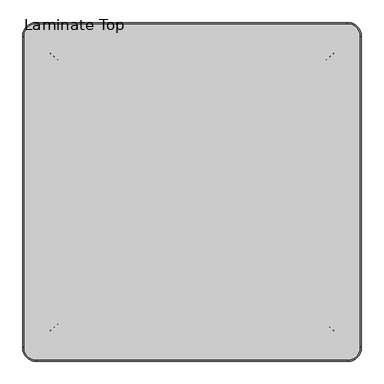
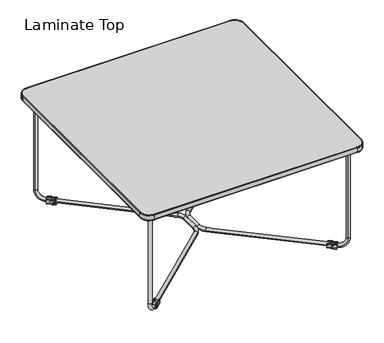
"""IFC4 building model written with IfcOpenShell, lengths in millimetres: furniture geometry, Laminate Top."""

from ifc_helpers import new_model, si_unit, point, frame, frame_2d, origin, place, context, project, spatial, polyline, circle_curve, ellipse_curve, trimmed, segment, composite_curve, outline, extrude, source, transform, mapped, element, save
from ifc_brep_helpers import plane_surface, cylinder_surface, revolved_surface, extruded_surface, advanced_brep


def laminate_top_590f7ec0(model_context):
    return source(origin(), model_context, "Body", "SolidModel", [
        extrude(outline(composite_curve([segment(trimmed(circle_curve(frame_2d((9.812096, -3.9878)), 3.9878), [point((9.812096, 0.0))], [point((13.7998959, -3.9878))], False, "CARTESIAN"), True, "CONTINUOUS"), segment(polyline([(13.7998959, -3.9878), (13.7998959, -15.1383982)]), True, "CONTINUOUS"), segment(trimmed(circle_curve(frame_2d((12.2250941, -15.1383982)), 1.5748018), [point((13.7998959, -15.1383982))], [point((12.2250941, -16.7132))], False, "CARTESIAN"), True, "CONTINUOUS"), segment(polyline([(12.2250941, -16.7132), (10.5107142, -16.7132), (10.5107142, -14.1623671)]), True, "CONTINUOUS"), segment(trimmed(circle_curve(frame_2d((5.0501318, -11.0203867)), 6.3), [point((10.5107142, -14.1623671))], [point((-0.4104506, -14.1623671))], True, "CARTESIAN"), True, "CONTINUOUS"), segment(polyline([(-0.4104506, -14.1623671), (-0.4104506, -16.7132), (-2.1499622, -16.7132)]), True, "CONTINUOUS"), segment(trimmed(circle_curve(frame_2d((-2.1499622, -15.1383986)), 1.5748014), [point((-2.1499622, -16.7132))], [point((-3.7247637, -15.1383986))], False, "CARTESIAN"), True, "CONTINUOUS"), segment(polyline([(-3.7247637, -15.1383986), (-3.7247637, -3.9878)]), True, "CONTINUOUS"), segment(trimmed(circle_curve(frame_2d((0.0, -3.7334386)), 3.7334386), [point((-3.7247637, -3.9878))], [point((0.0, 0.0))], False, "CARTESIAN"), True, "CONTINUOUS"), segment(polyline([(0.0, 0.0), (9.812096, 0.0)]), True, "CONTINUOUS")], self_intersect=False)), frame((60.8887326, -683.9567537, -0.1093042), z_axis=(0.7553542899233464, 0.6553166384995861, 0.0), x_axis=(0.6553166384995861, -0.7553542899233464, 0.0)), (0.0, 0.0, 1.0), 28.5969337),
        advanced_brep(
        [(78.7097673, -667.5762712, 10.2535321), (86.572963, -676.6398265, 10.2535321), (35.2738438, -705.2596256, 369.0), (43.1370394, -714.3231809, 369.0), (59.5237683, -684.2213139, 10.2535321), (67.386964, -693.2848691, 10.2535321), (43.1370394, -714.3231809, 42.3575724), (35.2738438, -705.2596256, 42.3575724)],
        [
            (0, 1, ellipse_curve(frame((82.6413651, -672.1080489, 10.2535321), z_axis=(0.7553542899233493, 0.6553166384995828, 0.0), x_axis=(0.0, 0.0, -1.0)), 6.0, 5.9995392)),
            (1, 0, ellipse_curve(frame((82.6413651, -672.1080489, 10.2535321), z_axis=(0.7553542899233493, 0.6553166384995828, 0.0), x_axis=(0.0, 0.0, -1.0)), 6.0, 5.9995392)),
            (2, 3, ellipse_curve(frame((39.2054416, -709.7914033, 369.0), z_axis=(0.0, 0.0, 1.0), x_axis=(-0.7553542899235204, -0.6553166384993857, 0.0)), 6.0, 5.9995392)),
            (3, 2, ellipse_curve(frame((39.2054416, -709.7914033, 369.0), z_axis=(0.0, 0.0, 1.0), x_axis=(-0.7553542899235204, -0.6553166384993857, 0.0)), 6.0, 5.9995392)),
            (0, 4),
            (4, 5, ellipse_curve(frame((63.4553662, -688.7530915, 10.2535321), z_axis=(0.7553542899233523, 0.6553166384995792, 0.0), x_axis=(0.0, 0.0, -1.0)), 6.0, 5.9995392)),
            (5, 1),
            (5, 4, ellipse_curve(frame((63.4553662, -688.7530915, 10.2535321), z_axis=(0.7553542899233523, 0.6553166384995792, 0.0), x_axis=(0.0, 0.0, -1.0)), 6.0, 5.9995392)),
            (6, 5, circle_curve(frame((67.386964, -693.2848691, 42.3575724), z_axis=(0.6553166384995827, -0.7553542899233493, 0.0), x_axis=(0.0, 0.0, -1.0)), 32.1040403)),
            (4, 7, circle_curve(frame((59.5237683, -684.2213139, 42.3575724), z_axis=(-0.6553166384995827, 0.7553542899233493, 0.0), x_axis=(0.0, 0.0, -1.0)), 32.1040403)),
            (7, 6, ellipse_curve(frame((39.2054416, -709.7914033, 42.3575724), z_axis=(0.0, 0.0, -1.0), x_axis=(-0.7553542899235203, -0.6553166384993856, 0.0)), 6.0, 5.9995392)),
            (6, 7, ellipse_curve(frame((39.2054416, -709.7914033, 42.3575724), z_axis=(0.0, 0.0, -1.0), x_axis=(-0.7553542899235203, -0.6553166384993856, 0.0)), 6.0, 5.9995392)),
            (7, 2),
            (3, 6),
        ],
        [
            plane_surface(frame((87.961107, -678.2398783, 4.2575724), z_axis=(0.7553542899233493, 0.6553166384995828, 0.0), x_axis=(-0.6553166384995828, 0.7553542899233493, 0.0))),
            plane_surface(frame((39.9961096, -719.8524849, 369.0), z_axis=(0.0, 0.0, 1.0), x_axis=(-0.6553166384995827, 0.7553542899233494, 0.0))),
            extruded_surface(trimmed(ellipse_curve(frame((63.4553662, -688.7530915, 10.2535321), z_axis=(0.7553542899233493, 0.6553166384995828, 0.0), x_axis=(0.0, 0.0, -1.0)), 6.0, 5.9995392), [point((59.5237683, -684.2213139, 10.2535321))], [point((67.386964, -693.2848691, 10.2535321))], True, "CARTESIAN"), (19.1859989, 16.64504260000001, 0.0), 25.399999939894023),
            extruded_surface(trimmed(ellipse_curve(frame((63.4553662, -688.7530915, 10.2535321), z_axis=(0.7553542899233493, 0.6553166384995828, 0.0), x_axis=(0.0, 0.0, -1.0)), 6.0, 5.9995392), [point((67.386964, -693.2848691, 10.2535321))], [point((59.5237683, -684.2213139, 10.2535321))], True, "CARTESIAN"), (19.1859989, 16.64504260000001, 0.0), 25.399999939894023),
            revolved_surface(trimmed(ellipse_curve(frame((63.4553662, -688.7530915, 10.2535321), z_axis=(0.7553542899233523, 0.6553166384995792, 0.0), x_axis=(0.0, 0.0, -1.0)), 6.0, 5.9995392), [point((59.5237683, -684.2213139, 10.2535321))], [point((67.386964, -693.2848691, 10.2535321))], True, "CARTESIAN"), (68.775108, -694.8849209, 42.3575724), (-0.6553166384995827, 0.7553542899233493, 0.0)),
            revolved_surface(trimmed(ellipse_curve(frame((63.4553662, -688.7530915, 10.2535321), z_axis=(0.7553542899233523, 0.6553166384995792, 0.0), x_axis=(0.0, 0.0, -1.0)), 6.0, 5.9995392), [point((67.386964, -693.2848691, 10.2535321))], [point((59.5237683, -684.2213139, 10.2535321))], True, "CARTESIAN"), (68.775108, -694.8849209, 42.3575724), (-0.6553166384995827, 0.7553542899233493, 0.0)),
            extruded_surface(trimmed(ellipse_curve(frame((39.2054416, -709.7914033, 369.0), z_axis=(0.0, 0.0, -1.0), x_axis=(-0.7553542899235204, -0.6553166384993857, 0.0)), 6.0, 5.9995392), [point((35.2738438, -705.2596256, 369.0))], [point((43.1370394, -714.3231809, 369.0))], True, "CARTESIAN"), (0.0, 0.0, -326.6424276), 326.6424276),
            extruded_surface(trimmed(ellipse_curve(frame((39.2054416, -709.7914033, 369.0), z_axis=(0.0, 0.0, -1.0), x_axis=(-0.7553542899235204, -0.6553166384993857, 0.0)), 6.0, 5.9995392), [point((43.1370394, -714.3231809, 369.0))], [point((35.2738438, -705.2596256, 369.0))], True, "CARTESIAN"), (0.0, 0.0, -326.6424276), 326.6424276),
        ],
        [
            (0, [[1, 2]]),
            (1, [[3, 4]]),
            (2, [[-1, 5, 6, 7]]),
            (3, [[-2, -7, 8, -5]]),
            (4, [[9, -6, 10, 11]]),
            (5, [[-10, -8, -9, 12]]),
            (6, [[-11, 13, -4, 14]]),
            (7, [[-12, -14, -3, -13]]),
        ],
    ),
        extrude(outline(composite_curve([segment(trimmed(circle_curve(frame_2d((0.0, -3.9878)), 3.9878), [point((-3.9878, -3.9878))], [point((0.0, 0.0))], False, "CARTESIAN"), True, "CONTINUOUS"), segment(polyline([(0.0, 0.0), (11.1505982, 0.0)]), True, "CONTINUOUS"), segment(trimmed(circle_curve(frame_2d((11.1505982, -1.5748018)), 1.5748018), [point((11.1505982, 0.0))], [point((12.7254, -1.5748018))], False, "CARTESIAN"), True, "CONTINUOUS"), segment(polyline([(12.7254, -1.5748018), (12.7254, -3.2891818), (10.1745671, -3.2891818)]), True, "CONTINUOUS"), segment(trimmed(circle_curve(frame_2d((7.0325867, -8.7497641)), 6.3), [point((10.1745671, -3.2891818))], [point((10.1745671, -14.2103464))], True, "CARTESIAN"), True, "CONTINUOUS"), segment(polyline([(10.1745671, -14.2103464), (12.7254, -14.2103464), (12.7254, -15.9498581)]), True, "CONTINUOUS"), segment(trimmed(circle_curve(frame_2d((11.1505986, -15.9498581)), 1.5748014), [point((12.7254, -15.9498581))], [point((11.1505986, -17.5246595))], False, "CARTESIAN"), True, "CONTINUOUS"), segment(polyline([(11.1505986, -17.5246595), (0.0, -17.5246595)]), True, "CONTINUOUS"), segment(trimmed(circle_curve(frame_2d((-0.2543614, -13.7998959)), 3.7334386), [point((0.0, -17.5246595))], [point((-3.9878, -13.7998959))], False, "CARTESIAN"), True, "CONTINUOUS"), segment(polyline([(-3.9878, -13.7998959), (-3.9878, -3.9878)]), True, "CONTINUOUS")], self_intersect=False)), frame((91.5328506, -73.6594822, 3.8784958), z_axis=(-0.7553542899233464, 0.6553166384995861, 0.0), x_axis=(0.0, 0.0, 1.0)), (0.0, 0.0, 1.0), 28.5969337),
        advanced_brep(
        [(78.7097673, -81.7237288, 10.2535321), (86.572963, -72.6601735, 10.2535321), (35.2738438, -44.0403744, 369.0), (43.1370394, -34.9768191, 369.0), (67.386964, -56.0151309, 10.2535321), (59.5237683, -65.0786861, 10.2535321), (35.2738438, -44.0403744, 42.3575724), (43.1370394, -34.9768191, 42.3575724)],
        [
            (0, 1, ellipse_curve(frame((82.6413651, -77.1919511, 10.2535321), z_axis=(0.7553542899233493, -0.6553166384995828, 0.0), x_axis=(0.0, 0.0, -1.0)), 6.0, 5.9995392)),
            (1, 0, ellipse_curve(frame((82.6413651, -77.1919511, 10.2535321), z_axis=(0.7553542899233493, -0.6553166384995828, 0.0), x_axis=(0.0, 0.0, -1.0)), 6.0, 5.9995392)),
            (2, 3, ellipse_curve(frame((39.2054416, -39.5085967, 369.0), z_axis=(0.0, 0.0, 1.0), x_axis=(-0.7553542899235204, 0.6553166384993857, 0.0)), 6.0, 5.9995392)),
            (3, 2, ellipse_curve(frame((39.2054416, -39.5085967, 369.0), z_axis=(0.0, 0.0, 1.0), x_axis=(-0.7553542899235204, 0.6553166384993857, 0.0)), 6.0, 5.9995392)),
            (1, 4),
            (4, 5, ellipse_curve(frame((63.4553662, -60.5469085, 10.2535321), z_axis=(0.7553542899233523, -0.6553166384995792, 0.0), x_axis=(0.0, 0.0, -1.0)), 6.0, 5.9995392)),
            (5, 0),
            (5, 4, ellipse_curve(frame((63.4553662, -60.5469085, 10.2535321), z_axis=(0.7553542899233523, -0.6553166384995792, 0.0), x_axis=(0.0, 0.0, -1.0)), 6.0, 5.9995392)),
            (6, 5, circle_curve(frame((59.5237683, -65.0786861, 42.3575724), z_axis=(-0.6553166384995827, -0.7553542899233493, 0.0), x_axis=(0.0, 0.0, -1.0)), 32.1040403)),
            (4, 7, circle_curve(frame((67.386964, -56.0151309, 42.3575724), z_axis=(0.6553166384995827, 0.7553542899233493, 0.0), x_axis=(0.0, 0.0, -1.0)), 32.1040403)),
            (7, 6, ellipse_curve(frame((39.2054416, -39.5085967, 42.3575724), z_axis=(0.0, 0.0, -1.0), x_axis=(-0.7553542899235203, 0.6553166384993856, 0.0)), 6.0, 5.9995392)),
            (6, 7, ellipse_curve(frame((39.2054416, -39.5085967, 42.3575724), z_axis=(0.0, 0.0, -1.0), x_axis=(-0.7553542899235203, 0.6553166384993856, 0.0)), 6.0, 5.9995392)),
            (7, 3),
            (2, 6),
        ],
        [
            plane_surface(frame((87.961107, -71.0601217, 4.2575724), z_axis=(0.7553542899233493, -0.6553166384995828, 0.0), x_axis=(-0.6553166384995828, -0.7553542899233493, 0.0))),
            plane_surface(frame((39.9961096, -29.4475151, 369.0), z_axis=(0.0, 0.0, 1.0), x_axis=(-0.6553166384995827, -0.7553542899233494, 0.0))),
            extruded_surface(trimmed(ellipse_curve(frame((63.4553662, -60.5469085, 10.2535321), z_axis=(0.7553542899233493, -0.6553166384995828, 0.0), x_axis=(0.0, 0.0, -1.0)), 6.0, 5.9995392), [point((67.386964, -56.0151309, 10.2535321))], [point((59.5237683, -65.0786861, 10.2535321))], True, "CARTESIAN"), (19.1859989, -16.645042599999996, 0.0), 25.399999939894013),
            extruded_surface(trimmed(ellipse_curve(frame((63.4553662, -60.5469085, 10.2535321), z_axis=(0.7553542899233493, -0.6553166384995828, 0.0), x_axis=(0.0, 0.0, -1.0)), 6.0, 5.9995392), [point((59.5237683, -65.0786861, 10.2535321))], [point((67.386964, -56.0151309, 10.2535321))], True, "CARTESIAN"), (19.1859989, -16.645042599999996, 0.0), 25.399999939894013),
            revolved_surface(trimmed(ellipse_curve(frame((63.4553662, -60.5469085, 10.2535321), z_axis=(0.7553542899233523, -0.6553166384995792, 0.0), x_axis=(0.0, 0.0, -1.0)), 6.0, 5.9995392), [point((67.386964, -56.0151309, 10.2535321))], [point((59.5237683, -65.0786861, 10.2535321))], True, "CARTESIAN"), (68.775108, -54.4150791, 42.3575724), (0.6553166384995827, 0.7553542899233493, 0.0)),
            revolved_surface(trimmed(ellipse_curve(frame((63.4553662, -60.5469085, 10.2535321), z_axis=(0.7553542899233523, -0.6553166384995792, 0.0), x_axis=(0.0, 0.0, -1.0)), 6.0, 5.9995392), [point((59.5237683, -65.0786861, 10.2535321))], [point((67.386964, -56.0151309, 10.2535321))], True, "CARTESIAN"), (68.775108, -54.4150791, 42.3575724), (0.6553166384995827, 0.7553542899233493, 0.0)),
            extruded_surface(trimmed(ellipse_curve(frame((39.2054416, -39.5085967, 369.0), z_axis=(0.0, 0.0, -1.0), x_axis=(-0.7553542899235204, 0.6553166384993857, 0.0)), 6.0, 5.9995392), [point((43.1370394, -34.9768191, 369.0))], [point((35.2738438, -44.0403744, 369.0))], True, "CARTESIAN"), (0.0, 0.0, -326.6424276), 326.6424276),
            extruded_surface(trimmed(ellipse_curve(frame((39.2054416, -39.5085967, 369.0), z_axis=(0.0, 0.0, -1.0), x_axis=(-0.7553542899235204, 0.6553166384993857, 0.0)), 6.0, 5.9995392), [point((35.2738438, -44.0403744, 369.0))], [point((43.1370394, -34.9768191, 369.0))], True, "CARTESIAN"), (0.0, 0.0, -326.6424276), 326.6424276),
        ],
        [
            (0, [[1, 2]]),
            (1, [[3, 4]]),
            (2, [[-2, 5, 6, 7]]),
            (3, [[-1, -7, 8, -5]]),
            (4, [[9, -6, 10, 11]]),
            (5, [[-10, -8, -9, 12]]),
            (6, [[-11, 13, -3, 14]]),
            (7, [[-12, -14, -4, -13]]),
        ],
    ),
        advanced_brep(
        [(78.854197, -682.840235, 10.2535321), (70.8810384, -673.8720277, 10.2535321), (352.8630099, -423.1767789, 10.2535321), (360.8361685, -432.1449862, 10.2535321), (374.4091053, -401.9166017, 10.2535321), (362.4091053, -401.9166017, 10.2535321), (362.4091053, -346.5187424, 10.2535321), (374.4091053, -346.5187424, 10.2535321), (82.5102415, -69.4616102, 10.2535321), (74.534704, -78.4277019, 10.2535321), (361.4033274, -317.5431963, 10.2535321), (353.4277899, -326.5092881, 10.2535321)],
        [
            (0, 1, circle_curve(frame((74.8676177, -678.3561314, 10.2535321), z_axis=(-0.7473506107488803, -0.6644298793802665, 0.0), x_axis=(-0.6644298793802665, 0.7473506107488803, 0.0)), 6.0)),
            (1, 0, circle_curve(frame((74.8676177, -678.3561314, 10.2535321), z_axis=(-0.7473506107488803, -0.6644298793802665, 0.0), x_axis=(-0.6644298793802665, 0.7473506107488803, 0.0)), 6.0)),
            (1, 2),
            (2, 3, circle_curve(frame((356.8495892, -427.6608825, 10.2535321), z_axis=(-0.7473506107488803, -0.6644298793802665, 0.0), x_axis=(-0.6644298793802665, 0.7473506107488803, 0.0)), 6.0)),
            (3, 0),
            (3, 2, circle_curve(frame((356.8495892, -427.6608825, 10.2535321), z_axis=(-0.7473506107488803, -0.6644298793802665, 0.0), x_axis=(-0.6644298793802665, 0.7473506107488803, 0.0)), 6.0)),
            (4, 5, circle_curve(frame((368.4091053, -401.9166017, 10.2535321), z_axis=(0.0, 1.0, 0.0), x_axis=(-1.0, 0.0, 0.0)), 6.0)),
            (5, 6),
            (6, 7, circle_curve(frame((368.4091053, -346.5187424, 10.2535321), z_axis=(0.0, -1.0, 0.0), x_axis=(-1.0, 0.0, 0.0)), 6.0)),
            (7, 4),
            (5, 4, circle_curve(frame((368.4091053, -401.9166017, 10.2535321), z_axis=(0.0, 1.0, 0.0), x_axis=(-1.0, 0.0, 0.0)), 6.0)),
            (7, 6, circle_curve(frame((368.4091053, -346.5187424, 10.2535321), z_axis=(0.0, -1.0, 0.0), x_axis=(-1.0, 0.0, 0.0)), 6.0)),
            (8, 9, circle_curve(frame((78.5224727, -73.944656, 10.2535321), z_axis=(-0.7471743136777035, 0.6646281253304384, 0.0), x_axis=(-0.6646281253304384, -0.7471743136777035, 0.0)), 6.0)),
            (9, 8, circle_curve(frame((78.5224727, -73.944656, 10.2535321), z_axis=(-0.7471743136777035, 0.6646281253304384, 0.0), x_axis=(-0.6646281253304384, -0.7471743136777035, 0.0)), 6.0)),
            (10, 11, circle_curve(frame((357.4155586, -322.0262422, 10.2535321), z_axis=(-0.7471743136777035, 0.6646281253304384, 0.0), x_axis=(-0.6646281253304384, -0.7471743136777035, 0.0)), 6.0)),
            (11, 9),
            (8, 10),
            (11, 10, circle_curve(frame((357.4155586, -322.0262422, 10.2535321), z_axis=(-0.7471743136777035, 0.6646281253304384, 0.0), x_axis=(-0.6646281253304384, -0.7471743136777035, 0.0)), 6.0)),
            (4, 3, circle_curve(frame((333.9617115, -401.9166017, 10.2535321), z_axis=(0.0, 0.0, -1.0), x_axis=(0.6644298793802712, -0.7473506107488762, 0.0)), 40.4473939)),
            (2, 5, circle_curve(frame((333.9617115, -401.9166017, 10.2535321), z_axis=(0.0, 0.0, 1.0), x_axis=(0.6644298793802712, -0.7473506107488762, 0.0)), 28.4473939)),
            (10, 7, circle_curve(frame((335.6289364, -346.5187424, 10.2535321), z_axis=(0.0, 0.0, -1.0), x_axis=(1.0, 0.0, 0.0)), 38.7801689)),
            (6, 11, circle_curve(frame((335.6289364, -346.5187424, 10.2535321), z_axis=(0.0, 0.0, 1.0), x_axis=(1.0, 0.0, 0.0)), 26.7801689)),
        ],
        [
            plane_surface(frame((70.8810384, -673.8720277, 0.0), z_axis=(-0.7473506107488803, -0.6644298793802665, 0.0), x_axis=(0.0, 0.0, 1.0))),
            cylinder_surface(frame((74.8676177, -678.3561314, 10.2535321), z_axis=(-0.7473506107488803, -0.6644298793802665, 0.0), x_axis=(-0.6644298793802665, 0.7473506107488803, 0.0)), 6.0),
            cylinder_surface(frame((368.4091053, -401.9166017, 10.2535321), z_axis=(0.0, -1.0, 0.0), x_axis=(-1.0, 0.0, 0.0)), 6.0),
            plane_surface(frame((74.534704, -78.4277019, 0.0), z_axis=(-0.7471743136777035, 0.6646281253304382, 0.0), x_axis=(0.0, 0.0, 1.0))),
            cylinder_surface(frame((357.4155586, -322.0262422, 10.2535321), z_axis=(0.7471743136777035, -0.6646281253304384, 0.0), x_axis=(-0.6646281253304384, -0.7471743136777035, 0.0)), 6.0),
            revolved_surface(trimmed(ellipse_curve(frame((356.8495892, -427.6608825, 10.2535321), z_axis=(-0.7473506107488761, -0.6644298793802713, 0.0), x_axis=(-0.6644298793802713, 0.7473506107488761, 0.0)), 6.0, 6.0), [point((352.8630099, -423.1767789, 10.2535321))], [point((360.8361685, -432.1449862, 10.2535321))], True, "CARTESIAN"), (333.9617115, -401.9166017, 0.0), (0.0, 0.0, 1.0)),
            revolved_surface(trimmed(ellipse_curve(frame((356.8495892, -427.6608825, 10.2535321), z_axis=(-0.7473506107488761, -0.6644298793802713, 0.0), x_axis=(-0.6644298793802713, 0.7473506107488761, 0.0)), 6.0, 6.0), [point((360.8361685, -432.1449862, 10.2535321))], [point((352.8630099, -423.1767789, 10.2535321))], True, "CARTESIAN"), (333.9617115, -401.9166017, 0.0), (0.0, 0.0, 1.0)),
            revolved_surface(trimmed(ellipse_curve(frame((368.4091053, -346.5187424, 10.2535321), z_axis=(0.0, -1.0, 0.0), x_axis=(-1.0, 0.0, 0.0)), 6.0, 6.0), [point((362.4091053, -346.5187424, 10.2535321))], [point((374.4091053, -346.5187424, 10.2535321))], True, "CARTESIAN"), (335.6289364, -346.5187424, 0.0), (0.0, 0.0, 1.0)),
            revolved_surface(trimmed(ellipse_curve(frame((368.4091053, -346.5187424, 10.2535321), z_axis=(0.0, -1.0, 0.0), x_axis=(-1.0, 0.0, 0.0)), 6.0, 6.0), [point((374.4091053, -346.5187424, 10.2535321))], [point((362.4091053, -346.5187424, 10.2535321))], True, "CARTESIAN"), (335.6289364, -346.5187424, 0.0), (0.0, 0.0, 1.0)),
        ],
        [
            (0, [[1, 2]]),
            (1, [[-2, 3, 4, 5]]),
            (1, [[-1, -5, 6, -3]]),
            (2, [[7, 8, 9, 10]]),
            (2, [[11, -10, 12, -8]]),
            (3, [[13, 14]]),
            (4, [[15, 16, -13, 17]]),
            (4, [[18, -17, -14, -16]]),
            (5, [[19, -4, 20, -7]]),
            (6, [[-20, -6, -19, -11]]),
            (7, [[21, -9, 22, -15]]),
            (8, [[-22, -12, -21, -18]]),
        ],
    ),
        advanced_brep(
        [(30.6815303, -749.2666404, 368.202162), (0.0, -718.5851102, 368.202162), (1.9795303, -718.5851102, 366.2209602), (30.6815303, -747.2871102, 366.2209602), (30.6815303, -749.2666404, 383.2397252), (0.0, -718.5851102, 383.2397252), (30.6815303, -747.2871102, 385.220927), (1.9795303, -718.5851102, 385.220927), (718.566, -747.2871102, 366.2209602), (718.566, -749.2666404, 368.202162), (718.566, -749.2666404, 383.2397252), (718.566, -747.2871102, 385.220927), (749.2475303, -718.5851102, 368.202162), (747.268, -718.5851102, 366.2209602), (749.2475303, -718.5851102, 383.2397252), (747.268, -718.5851102, 385.220927), (747.268, -30.8248273, 366.2209602), (749.2475303, -30.8248273, 368.202162), (749.2475303, -30.8248273, 383.2397252), (747.268, -30.8248273, 385.220927), (718.4751727, -0.0524697, 368.202162), (718.4751727, -2.032, 366.2209602), (718.4751727, -0.0524697, 383.2397252), (718.4751727, -2.032, 385.220927), (30.7240133, -2.032, 366.2209602), (30.7240133, -0.0524697, 368.202162), (30.7240133, -0.0524697, 383.2397252), (30.7240133, -2.032, 385.220927), (0.0, -30.7764831, 368.202162), (1.9795303, -30.7764831, 366.2209602), (0.0, -30.7764831, 383.2397252), (1.9795303, -30.7764831, 385.220927)],
        [
            (0, 1, circle_curve(frame((30.6815303, -718.5851102, 368.202162), z_axis=(0.0, 0.0, -1.0), x_axis=(-1.0, 0.0, 0.0)), 30.6815303)),
            (1, 2, circle_curve(frame((1.9812024, -718.5851102, 368.202162), z_axis=(0.0, -1.0, 0.0), x_axis=(1.0, 0.0, 0.0)), 1.9812024)),
            (2, 3, circle_curve(frame((30.6815303, -718.5851102, 366.2209602), z_axis=(0.0, 0.0, 1.0), x_axis=(-1.0, 0.0, 0.0)), 28.702)),
            (3, 0, circle_curve(frame((30.6815303, -747.285438, 368.202162), z_axis=(-1.0, 0.0, 0.0), x_axis=(0.0, 1.0, 0.0)), 1.9812024)),
            (4, 5, circle_curve(frame((30.6815303, -718.5851102, 383.2397252), z_axis=(0.0, 0.0, -1.0), x_axis=(-1.0, 0.0, 0.0)), 30.6815303)),
            (5, 1),
            (0, 4),
            (6, 7, circle_curve(frame((30.6815303, -718.5851102, 385.220927), z_axis=(0.0, 0.0, -1.0), x_axis=(-1.0, 0.0, 0.0)), 28.702)),
            (7, 5, circle_curve(frame((1.9812024, -718.5851102, 383.2397252), z_axis=(0.0, -1.0, 0.0), x_axis=(1.0, 0.0, 0.0)), 1.9812024)),
            (4, 6, circle_curve(frame((30.6815303, -747.285438, 383.2397252), z_axis=(-1.0, 0.0, 0.0), x_axis=(0.0, 1.0, 0.0)), 1.9812024)),
            (2, 7),
            (6, 3),
            (3, 8),
            (8, 9, circle_curve(frame((718.566, -747.285438, 368.202162), z_axis=(-1.0, 0.0, 0.0), x_axis=(0.0, 1.0, 0.0)), 1.9812024)),
            (9, 0),
            (9, 10),
            (10, 4),
            (10, 11, circle_curve(frame((718.566, -747.285438, 383.2397252), z_axis=(-1.0, 0.0, 0.0), x_axis=(0.0, 1.0, 0.0)), 1.9812024)),
            (11, 6),
            (11, 8),
            (12, 9, circle_curve(frame((718.566, -718.5851102, 368.202162), z_axis=(0.0, 0.0, -1.0), x_axis=(0.0, -1.0, 0.0)), 30.6815303)),
            (8, 13, circle_curve(frame((718.566, -718.5851102, 366.2209602), z_axis=(0.0, 0.0, 1.0), x_axis=(0.0, -1.0, 0.0)), 28.702)),
            (13, 12, circle_curve(frame((747.2663278, -718.5851102, 368.202162), z_axis=(0.0, -1.0, 0.0), x_axis=(-1.0, 0.0, 0.0)), 1.9812024)),
            (14, 10, circle_curve(frame((718.566, -718.5851102, 383.2397252), z_axis=(0.0, 0.0, -1.0), x_axis=(0.0, -1.0, 0.0)), 30.6815303)),
            (12, 14),
            (15, 11, circle_curve(frame((718.566, -718.5851102, 385.220927), z_axis=(0.0, 0.0, -1.0), x_axis=(0.0, -1.0, 0.0)), 28.702)),
            (14, 15, circle_curve(frame((747.2663278, -718.5851102, 383.2397252), z_axis=(0.0, -1.0, 0.0), x_axis=(-1.0, 0.0, 0.0)), 1.9812024)),
            (15, 13),
            (13, 16),
            (16, 17, circle_curve(frame((747.2663278, -30.8248273, 368.202162), z_axis=(0.0, -1.0, 0.0), x_axis=(-1.0, 0.0, 0.0)), 1.9812024)),
            (17, 12),
            (17, 18),
            (18, 14),
            (18, 19, circle_curve(frame((747.2663278, -30.8248273, 383.2397252), z_axis=(0.0, -1.0, 0.0), x_axis=(-1.0, 0.0, 0.0)), 1.9812024)),
            (19, 15),
            (19, 16),
            (20, 17, circle_curve(frame((718.4751727, -30.8248273, 368.202162), z_axis=(0.0, 0.0, -1.0), x_axis=(1.0, 0.0, 0.0)), 30.7723576)),
            (16, 21, circle_curve(frame((718.4751727, -30.8248273, 366.2209602), z_axis=(0.0, 0.0, 1.0), x_axis=(1.0, 0.0, 0.0)), 28.7928273)),
            (21, 20, circle_curve(frame((718.4751727, -2.0336722, 368.202162), z_axis=(1.0, 0.0, 0.0), x_axis=(0.0, -1.0, 0.0)), 1.9812024)),
            (22, 18, circle_curve(frame((718.4751727, -30.8248273, 383.2397252), z_axis=(0.0, 0.0, -1.0), x_axis=(1.0, 0.0, 0.0)), 30.7723576)),
            (20, 22),
            (23, 19, circle_curve(frame((718.4751727, -30.8248273, 385.220927), z_axis=(0.0, 0.0, -1.0), x_axis=(1.0, 0.0, 0.0)), 28.7928273)),
            (22, 23, circle_curve(frame((718.4751727, -2.0336722, 383.2397252), z_axis=(1.0, 0.0, 0.0), x_axis=(0.0, -1.0, 0.0)), 1.9812024)),
            (23, 21),
            (21, 24),
            (24, 25, circle_curve(frame((30.7240133, -2.0336722, 368.202162), z_axis=(1.0, 0.0, 0.0), x_axis=(0.0, -1.0, 0.0)), 1.9812024)),
            (25, 20),
            (25, 26),
            (26, 22),
            (26, 27, circle_curve(frame((30.7240133, -2.0336722, 383.2397252), z_axis=(1.0, 0.0, 0.0), x_axis=(0.0, -1.0, 0.0)), 1.9812024)),
            (27, 23),
            (27, 24),
            (28, 25, circle_curve(frame((30.7240133, -30.7764831, 368.202162), z_axis=(0.0, 0.0, -1.0), x_axis=(0.0, 1.0, 0.0)), 30.7240133)),
            (24, 29, circle_curve(frame((30.7240133, -30.7764831, 366.2209602), z_axis=(0.0, 0.0, 1.0), x_axis=(0.0, 1.0, 0.0)), 28.7444831)),
            (29, 28, circle_curve(frame((1.9812024, -30.7764831, 368.202162), z_axis=(0.0, 1.0, 0.0), x_axis=(1.0, 0.0, 0.0)), 1.9812024)),
            (30, 26, circle_curve(frame((30.7240133, -30.7764831, 383.2397252), z_axis=(0.0, 0.0, -1.0), x_axis=(0.0, 1.0, 0.0)), 30.7240133)),
            (28, 30),
            (31, 27, circle_curve(frame((30.7240133, -30.7764831, 385.220927), z_axis=(0.0, 0.0, -1.0), x_axis=(0.0, 1.0, 0.0)), 28.7444831)),
            (30, 31, circle_curve(frame((1.9812024, -30.7764831, 383.2397252), z_axis=(0.0, 1.0, 0.0), x_axis=(1.0, 0.0, 0.0)), 1.9812024)),
            (31, 29),
            (29, 2),
            (1, 28),
            (5, 30),
            (7, 31),
        ],
        [
            revolved_surface(trimmed(ellipse_curve(frame((1.9812024, -718.5851102, 368.202162), z_axis=(0.0, 1.0, 0.0), x_axis=(1.0, 0.0, 0.0)), 1.9812024, 1.9812024), [point((1.9795303, -718.5851102, 366.2209602))], [point((0.0, -718.5851102, 368.202162))], True, "CARTESIAN"), (30.6815303, -718.5851102, 0.0), (0.0, 0.0, 1.0)),
            cylinder_surface(frame((30.6815303, -718.5851102, 0.0), z_axis=(0.0, 0.0, 1.0), x_axis=(-1.0, 0.0, 0.0)), 30.6815303),
            revolved_surface(trimmed(ellipse_curve(frame((1.9812024, -718.5851102, 383.2397252), z_axis=(0.0, 1.0, 0.0), x_axis=(1.0, 0.0, 0.0)), 1.9812024, 1.9812024), [point((0.0, -718.5851102, 383.2397252))], [point((1.9795303, -718.5851102, 385.220927))], True, "CARTESIAN"), (30.6815303, -718.5851102, 0.0), (0.0, 0.0, 1.0)),
            revolved_surface(polyline([(1.9795302999999969, -718.5851102, 385.220927), (1.9795302999999969, -718.5851102, 366.2209602)]), (30.6815303, -718.5851102, 0.0), (0.0, 0.0, 1.0)),
            cylinder_surface(frame((30.6815303, -747.285438, 368.202162), z_axis=(-1.0, 0.0, 0.0), x_axis=(0.0, 1.0, 0.0)), 1.9812024),
            plane_surface(frame((30.6815303, -749.2666404, 368.202162), z_axis=(0.0, -1.0, 0.0), x_axis=(1.0, 0.0, 0.0))),
            cylinder_surface(frame((30.6815303, -747.285438, 383.2397252), z_axis=(-1.0, 0.0, 0.0), x_axis=(0.0, 1.0, 0.0)), 1.9812024),
            plane_surface(frame((30.6815303, -747.2871102, 385.220927), z_axis=(0.0, 1.0, 0.0), x_axis=(1.0, 0.0, 0.0))),
            revolved_surface(trimmed(ellipse_curve(frame((718.566, -747.285438, 368.202162), z_axis=(-1.0, 0.0, 0.0), x_axis=(0.0, 1.0, 0.0)), 1.9812024, 1.9812024), [point((718.566, -747.2871102, 366.2209602))], [point((718.566, -749.2666404, 368.202162))], True, "CARTESIAN"), (718.566, -718.5851102, 0.0), (0.0, 0.0, 1.0)),
            cylinder_surface(frame((718.566, -718.5851102, 0.0), z_axis=(0.0, 0.0, 1.0), x_axis=(0.0, -1.0, 0.0)), 30.6815303),
            revolved_surface(trimmed(ellipse_curve(frame((718.566, -747.285438, 383.2397252), z_axis=(-1.0, 0.0, 0.0), x_axis=(0.0, 1.0, 0.0)), 1.9812024, 1.9812024), [point((718.566, -749.2666404, 383.2397252))], [point((718.566, -747.2871102, 385.220927))], True, "CARTESIAN"), (718.566, -718.5851102, 0.0), (0.0, 0.0, 1.0)),
            revolved_surface(polyline([(718.566, -747.2871102, 385.220927), (718.566, -747.2871102, 366.2209602)]), (718.566, -718.5851102, 0.0), (0.0, 0.0, 1.0)),
            cylinder_surface(frame((747.2663278, -718.5851102, 368.202162), z_axis=(0.0, -1.0, 0.0), x_axis=(-1.0, 0.0, 0.0)), 1.9812024),
            plane_surface(frame((749.2475303, -718.5851102, 368.202162), z_axis=(1.0, 0.0, 0.0), x_axis=(0.0, 1.0, 0.0))),
            cylinder_surface(frame((747.2663278, -718.5851102, 383.2397252), z_axis=(0.0, -1.0, 0.0), x_axis=(-1.0, 0.0, 0.0)), 1.9812024),
            plane_surface(frame((747.268, -718.5851102, 385.220927), z_axis=(-1.0, 0.0, 0.0), x_axis=(0.0, 1.0, 0.0))),
            revolved_surface(trimmed(ellipse_curve(frame((747.2663278, -30.8248273, 368.202162), z_axis=(0.0, -1.0, 0.0), x_axis=(-1.0, 0.0, 0.0)), 1.9812024, 1.9812024), [point((747.268, -30.8248273, 366.2209602))], [point((749.2475303, -30.8248273, 368.202162))], True, "CARTESIAN"), (718.4751727, -30.8248273, 0.0), (0.0, 0.0, 1.0)),
            cylinder_surface(frame((718.4751727, -30.8248273, 0.0), z_axis=(0.0, 0.0, 1.0), x_axis=(1.0, 0.0, 0.0)), 30.7723576),
            revolved_surface(trimmed(ellipse_curve(frame((747.2663278, -30.8248273, 383.2397252), z_axis=(0.0, -1.0, 0.0), x_axis=(-1.0, 0.0, 0.0)), 1.9812024, 1.9812024), [point((749.2475303, -30.8248273, 383.2397252))], [point((747.268, -30.8248273, 385.220927))], True, "CARTESIAN"), (718.4751727, -30.8248273, 0.0), (0.0, 0.0, 1.0)),
            revolved_surface(polyline([(747.268, -30.8248273, 385.220927), (747.268, -30.8248273, 366.2209602)]), (718.4751727, -30.8248273, 0.0), (0.0, 0.0, 1.0)),
            cylinder_surface(frame((718.4751727, -2.0336722, 368.202162), z_axis=(1.0, 0.0, 0.0), x_axis=(0.0, -1.0, 0.0)), 1.9812024),
            plane_surface(frame((718.4751727, -0.0524697, 368.202162), z_axis=(0.0, 1.0, 0.0), x_axis=(-1.0, 0.0, 0.0))),
            cylinder_surface(frame((718.4751727, -2.0336722, 383.2397252), z_axis=(1.0, 0.0, 0.0), x_axis=(0.0, -1.0, 0.0)), 1.9812024),
            plane_surface(frame((718.4751727, -2.032, 385.220927), z_axis=(0.0, -1.0, 0.0), x_axis=(-1.0, 0.0, 0.0))),
            revolved_surface(trimmed(ellipse_curve(frame((30.7240133, -2.0336722, 368.202162), z_axis=(1.0, 0.0, 0.0), x_axis=(0.0, -1.0, 0.0)), 1.9812024, 1.9812024), [point((30.7240133, -2.032, 366.2209602))], [point((30.7240133, -0.0524697, 368.202162))], True, "CARTESIAN"), (30.7240133, -30.7764831, 0.0), (0.0, 0.0, 1.0)),
            cylinder_surface(frame((30.7240133, -30.7764831, 0.0), z_axis=(0.0, 0.0, 1.0), x_axis=(0.0, 1.0, 0.0)), 30.7240133),
            revolved_surface(trimmed(ellipse_curve(frame((30.7240133, -2.0336722, 383.2397252), z_axis=(1.0, 0.0, 0.0), x_axis=(0.0, -1.0, 0.0)), 1.9812024, 1.9812024), [point((30.7240133, -0.0524697, 383.2397252))], [point((30.7240133, -2.032, 385.220927))], True, "CARTESIAN"), (30.7240133, -30.7764831, 0.0), (0.0, 0.0, 1.0)),
            revolved_surface(polyline([(30.7240133, -2.032, 385.220927), (30.7240133, -2.032, 366.2209602)]), (30.7240133, -30.7764831, 0.0), (0.0, 0.0, 1.0)),
            cylinder_surface(frame((1.9812024, -30.7764831, 368.202162), z_axis=(0.0, 1.0, 0.0), x_axis=(1.0, 0.0, 0.0)), 1.9812024),
            plane_surface(frame((0.0, -30.7764831, 368.202162), z_axis=(-1.0, 0.0, 0.0), x_axis=(0.0, -1.0, 0.0))),
            cylinder_surface(frame((1.9812024, -30.7764831, 383.2397252), z_axis=(0.0, 1.0, 0.0), x_axis=(1.0, 0.0, 0.0)), 1.9812024),
            plane_surface(frame((1.9795303, -30.7764831, 385.220927), z_axis=(1.0, 0.0, 0.0), x_axis=(0.0, -1.0, 0.0))),
        ],
        [
            (0, [[1, 2, 3, 4]]),
            (1, [[5, 6, -1, 7]]),
            (2, [[8, 9, -5, 10]]),
            (3, [[-3, 11, -8, 12]]),
            (4, [[-4, 13, 14, 15]]),
            (5, [[-7, -15, 16, 17]]),
            (6, [[-10, -17, 18, 19]]),
            (7, [[-12, -19, 20, -13]]),
            (8, [[21, -14, 22, 23]]),
            (9, [[24, -16, -21, 25]]),
            (10, [[26, -18, -24, 27]]),
            (11, [[-22, -20, -26, 28]]),
            (12, [[-23, 29, 30, 31]]),
            (13, [[-25, -31, 32, 33]]),
            (14, [[-27, -33, 34, 35]]),
            (15, [[-28, -35, 36, -29]]),
            (16, [[37, -30, 38, 39]]),
            (17, [[40, -32, -37, 41]]),
            (18, [[42, -34, -40, 43]]),
            (19, [[-38, -36, -42, 44]]),
            (20, [[-39, 45, 46, 47]]),
            (21, [[-41, -47, 48, 49]]),
            (22, [[-43, -49, 50, 51]]),
            (23, [[-44, -51, 52, -45]]),
            (24, [[53, -46, 54, 55]]),
            (25, [[56, -48, -53, 57]]),
            (26, [[58, -50, -56, 59]]),
            (27, [[-54, -52, -58, 60]]),
            (28, [[-55, 61, -2, 62]]),
            (29, [[-57, -62, -6, 63]]),
            (30, [[-59, -63, -9, 64]]),
            (31, [[-60, -64, -11, -61]]),
        ],
    ),
        extrude(outline(composite_curve([segment(polyline([(3.9878, -3.9878), (3.9878, -13.7998959)]), True, "CONTINUOUS"), segment(trimmed(circle_curve(frame_2d((0.2543614, -13.7998959)), 3.7334386), [point((3.9878, -13.7998959))], [point((0.0, -17.5246596))], False, "CARTESIAN"), True, "CONTINUOUS"), segment(polyline([(0.0, -17.5246596), (-11.1505986, -17.5246596)]), True, "CONTINUOUS"), segment(trimmed(circle_curve(frame_2d((-11.1505986, -15.9498581)), 1.5748014), [point((-11.1505986, -17.5246596))], [point((-12.7254, -15.9498581))], False, "CARTESIAN"), True, "CONTINUOUS"), segment(polyline([(-12.7254, -15.9498581), (-12.7254, -14.2103465), (-10.1745671, -14.2103465)]), True, "CONTINUOUS"), segment(trimmed(circle_curve(frame_2d((-7.0325867, -8.7497641)), 6.3), [point((-10.1745671, -14.2103465))], [point((-10.1745671, -3.2891818))], True, "CARTESIAN"), True, "CONTINUOUS"), segment(polyline([(-10.1745671, -3.2891818), (-12.7254, -3.2891818), (-12.7254, -1.5748018)]), True, "CONTINUOUS"), segment(trimmed(circle_curve(frame_2d((-11.1505982, -1.5748018)), 1.5748018), [point((-12.7254, -1.5748018))], [point((-11.1505982, 0.0))], False, "CARTESIAN"), True, "CONTINUOUS"), segment(polyline([(-11.1505982, 0.0), (0.0, 0.0)]), True, "CONTINUOUS"), segment(trimmed(circle_curve(frame_2d((0.0, -3.9878)), 3.9878), [point((0.0, 0.0))], [point((3.9878, -3.9878))], False, "CARTESIAN"), True, "CONTINUOUS")], self_intersect=False)), frame((679.367966, -694.3805643, 3.8784958), z_axis=(-0.7553542899233464, 0.6553166384995861, 0.0), x_axis=(0.0, 0.0, -1.0)), (0.0, 0.0, 1.0), 28.5969337),
        advanced_brep(
        [(670.5902327, -667.5762712, 10.2535321), (662.727037, -676.6398265, 10.2535321), (714.0261562, -705.2596256, 369.0), (706.1629606, -714.3231809, 369.0), (681.913036, -693.2848691, 10.2535321), (689.7762317, -684.2213139, 10.2535321), (714.0261562, -705.2596256, 42.3575724), (706.1629606, -714.3231809, 42.3575724)],
        [
            (0, 1, ellipse_curve(frame((666.6586349, -672.1080489, 10.2535321), z_axis=(-0.7553542899233493, 0.6553166384995828, 0.0), x_axis=(0.0, 0.0, -1.0)), 6.0, 5.9995392)),
            (1, 0, ellipse_curve(frame((666.6586349, -672.1080489, 10.2535321), z_axis=(-0.7553542899233493, 0.6553166384995828, 0.0), x_axis=(0.0, 0.0, -1.0)), 6.0, 5.9995392)),
            (2, 3, ellipse_curve(frame((710.0945584, -709.7914033, 369.0), z_axis=(0.0, 0.0, 1.0000000000000002), x_axis=(0.7553542899235204, -0.6553166384993857, 0.0)), 6.0, 5.9995392)),
            (3, 2, ellipse_curve(frame((710.0945584, -709.7914033, 369.0), z_axis=(0.0, 0.0, 1.0000000000000002), x_axis=(0.7553542899235204, -0.6553166384993857, 0.0)), 6.0, 5.9995392)),
            (1, 4),
            (4, 5, ellipse_curve(frame((685.8446338, -688.7530915, 10.2535321), z_axis=(-0.7553542899233523, 0.6553166384995792, 0.0), x_axis=(0.0, 0.0, -1.0)), 6.0, 5.9995392)),
            (5, 0),
            (5, 4, ellipse_curve(frame((685.8446338, -688.7530915, 10.2535321), z_axis=(-0.7553542899233523, 0.6553166384995792, 0.0), x_axis=(0.0, 0.0, -1.0)), 6.0, 5.9995392)),
            (6, 5, circle_curve(frame((689.7762317, -684.2213139, 42.3575724), z_axis=(0.6553166384995827, 0.7553542899233493, 0.0), x_axis=(0.0, 0.0, -1.0)), 32.1040403)),
            (4, 7, circle_curve(frame((681.913036, -693.2848691, 42.3575724), z_axis=(-0.6553166384995827, -0.7553542899233493, 0.0), x_axis=(0.0, 0.0, -1.0)), 32.1040403)),
            (7, 6, ellipse_curve(frame((710.0945584, -709.7914033, 42.3575724), z_axis=(0.0, 0.0, -1.0), x_axis=(0.7553542899235203, -0.6553166384993856, 0.0)), 6.0, 5.9995392)),
            (6, 7, ellipse_curve(frame((710.0945584, -709.7914033, 42.3575724), z_axis=(0.0, 0.0, -1.0), x_axis=(0.7553542899235203, -0.6553166384993856, 0.0)), 6.0, 5.9995392)),
            (7, 3),
            (2, 6),
        ],
        [
            plane_surface(frame((661.338893, -678.2398783, 4.2575724), z_axis=(-0.7553542899233493, 0.6553166384995828, 0.0), x_axis=(0.6553166384995828, 0.7553542899233493, 0.0))),
            plane_surface(frame((709.3038904, -719.8524849, 369.0), z_axis=(0.0, 0.0, 1.0), x_axis=(0.6553166384995827, 0.7553542899233493, 0.0))),
            extruded_surface(trimmed(ellipse_curve(frame((685.8446338, -688.7530915, 10.2535321), z_axis=(-0.7553542899233493, 0.6553166384995828, 0.0), x_axis=(0.0, 0.0, -1.0)), 6.0, 5.9995392), [point((681.913036, -693.2848691, 10.2535321))], [point((689.7762317, -684.2213139, 10.2535321))], True, "CARTESIAN"), (-19.18599889999996, 16.64504260000001, 0.0), 25.39999993989399),
            extruded_surface(trimmed(ellipse_curve(frame((685.8446338, -688.7530915, 10.2535321), z_axis=(-0.7553542899233493, 0.6553166384995828, 0.0), x_axis=(0.0, 0.0, -1.0)), 6.0, 5.9995392), [point((689.7762317, -684.2213139, 10.2535321))], [point((681.913036, -693.2848691, 10.2535321))], True, "CARTESIAN"), (-19.18599889999996, 16.64504260000001, 0.0), 25.39999993989399),
            revolved_surface(trimmed(ellipse_curve(frame((685.8446338, -688.7530915, 10.2535321), z_axis=(-0.7553542899233523, 0.6553166384995792, 0.0), x_axis=(0.0, 0.0, -1.0)), 6.0, 5.9995392), [point((681.913036, -693.2848691, 10.2535321))], [point((689.7762317, -684.2213139, 10.2535321))], True, "CARTESIAN"), (680.524892, -694.8849209, 42.3575724), (-0.6553166384995827, -0.7553542899233493, 0.0)),
            revolved_surface(trimmed(ellipse_curve(frame((685.8446338, -688.7530915, 10.2535321), z_axis=(-0.7553542899233523, 0.6553166384995792, 0.0), x_axis=(0.0, 0.0, -1.0)), 6.0, 5.9995392), [point((689.7762317, -684.2213139, 10.2535321))], [point((681.913036, -693.2848691, 10.2535321))], True, "CARTESIAN"), (680.524892, -694.8849209, 42.3575724), (-0.6553166384995827, -0.7553542899233493, 0.0)),
            extruded_surface(trimmed(ellipse_curve(frame((710.0945584, -709.7914033, 369.0), z_axis=(0.0, 0.0, -1.0000000000000002), x_axis=(0.7553542899235204, -0.6553166384993857, 0.0)), 6.0, 5.9995392), [point((706.1629606, -714.3231809, 369.0))], [point((714.0261562, -705.2596256, 369.0))], True, "CARTESIAN"), (0.0, 0.0, -326.6424276), 326.6424276),
            extruded_surface(trimmed(ellipse_curve(frame((710.0945584, -709.7914033, 369.0), z_axis=(0.0, 0.0, -1.0000000000000002), x_axis=(0.7553542899235204, -0.6553166384993857, 0.0)), 6.0, 5.9995392), [point((714.0261562, -705.2596256, 369.0))], [point((706.1629606, -714.3231809, 369.0))], True, "CARTESIAN"), (0.0, 0.0, -326.6424276), 326.6424276),
        ],
        [
            (0, [[1, 2]]),
            (1, [[3, 4]]),
            (2, [[-2, 5, 6, 7]]),
            (3, [[-1, -7, 8, -5]]),
            (4, [[9, -6, 10, 11]]),
            (5, [[-10, -8, -9, 12]]),
            (6, [[-11, 13, -3, 14]]),
            (7, [[-12, -14, -4, -13]]),
        ],
    ),
        extrude(outline(composite_curve([segment(polyline([(30.7240133, -2.032), (718.4751727, -2.032)]), True, "CONTINUOUS"), segment(trimmed(circle_curve(frame_2d((718.4751727, -30.8248273)), 28.7928273), [point((718.4751727, -2.032))], [point((747.268, -30.8248273))], False, "CARTESIAN"), True, "CONTINUOUS"), segment(polyline([(747.268, -30.8248273), (747.268, -718.5851102)]), True, "CONTINUOUS"), segment(trimmed(circle_curve(frame_2d((718.566, -718.5851102)), 28.702), [point((747.268, -718.5851102))], [point((718.566, -747.2871102))], False, "CARTESIAN"), True, "CONTINUOUS"), segment(polyline([(718.566, -747.2871102), (30.6815303, -747.2871102)]), True, "CONTINUOUS"), segment(trimmed(circle_curve(frame_2d((30.6815303, -718.5851102)), 28.702), [point((30.6815303, -747.2871102))], [point((1.9795303, -718.5851102))], False, "CARTESIAN"), True, "CONTINUOUS"), segment(polyline([(1.9795303, -718.5851102), (1.9795303, -30.7764831)]), True, "CONTINUOUS"), segment(trimmed(circle_curve(frame_2d((30.7240133, -30.7764831)), 28.7444831), [point((1.9795303, -30.7764831))], [point((30.7240133, -2.032))], False, "CARTESIAN"), True, "CONTINUOUS")], self_intersect=False)), frame((0.0, 0.0, 366.2209602), z_axis=(0.0, 0.0, 1.0), x_axis=(1.0, 0.0, 0.0)), (0.0, 0.0, 1.0), 18.9999667),
        extrude(outline(polyline([(46.2000374, -711.4081242), (46.2000374, -703.2081147), (38.0001513, -703.2081147), (38.0001513, -45.6081648), (46.2001782, -45.6081648), (46.2001782, -37.4083746), (703.7665318, -37.4083746), (703.7665318, -45.6081648), (711.9999672, -45.6081648), (711.9999672, -703.2081147), (703.7873104, -703.2081147), (703.7873104, -711.4081242), (46.2000374, -711.4081242)]), holes=[polyline([(681.9999098, -681.4081372), (681.9999098, -67.4083832), (68.0001593, -67.4083832), (68.0001593, -681.4081372), (681.9999098, -681.4081372)])]), frame((0.0, 0.0, 356.222), z_axis=(0.0, 0.0, 1.0), x_axis=(1.0, 0.0, 0.0)), (0.0, 0.0, 1.0), 9.9989602),
        extrude(outline(composite_curve([segment(polyline([(-9.8120959, 0.0), (0.0, 0.0)]), True, "CONTINUOUS"), segment(trimmed(circle_curve(frame_2d((0.0, -3.7334386)), 3.7334386), [point((0.0, 0.0))], [point((3.7247637, -3.9878))], False, "CARTESIAN"), True, "CONTINUOUS"), segment(polyline([(3.7247637, -3.9878), (3.7247637, -15.1383986)]), True, "CONTINUOUS"), segment(trimmed(circle_curve(frame_2d((2.1499623, -15.1383986)), 1.5748014), [point((3.7247637, -15.1383986))], [point((2.1499623, -16.7132))], False, "CARTESIAN"), True, "CONTINUOUS"), segment(polyline([(2.1499623, -16.7132), (0.4104506, -16.7132), (0.4104506, -14.1623671)]), True, "CONTINUOUS"), segment(trimmed(circle_curve(frame_2d((-5.0501317, -11.0203867)), 6.3), [point((0.4104506, -14.1623671))], [point((-10.510714, -14.1623671))], True, "CARTESIAN"), True, "CONTINUOUS"), segment(polyline([(-10.510714, -14.1623671), (-10.510714, -16.7132), (-12.2250941, -16.7132)]), True, "CONTINUOUS"), segment(trimmed(circle_curve(frame_2d((-12.2250941, -15.1383982)), 1.5748018), [point((-12.2250941, -16.7132))], [point((-13.7998959, -15.1383982))], False, "CARTESIAN"), True, "CONTINUOUS"), segment(polyline([(-13.7998959, -15.1383982), (-13.7998959, -3.9878)]), True, "CONTINUOUS"), segment(trimmed(circle_curve(frame_2d((-9.8120959, -3.9878)), 3.9878), [point((-13.7998959, -3.9878))], [point((-9.8120959, 0.0))], False, "CARTESIAN"), True, "CONTINUOUS")], self_intersect=False)), frame((666.8104508, -84.0832927, -0.1093042), z_axis=(0.7553542899233464, 0.6553166384995862, 0.0), x_axis=(0.6553166384995862, -0.7553542899233464, 0.0)), (0.0, 0.0, 1.0), 28.5969337),
        advanced_brep(
        [(670.5902327, -81.7237288, 10.2535321), (662.727037, -72.6601735, 10.2535321), (714.0261562, -44.0403744, 369.0), (706.1629606, -34.9768191, 369.0), (689.7762317, -65.0786861, 10.2535321), (681.913036, -56.0151309, 10.2535321), (706.1629606, -34.9768191, 42.3575724), (714.0261562, -44.0403744, 42.3575724)],
        [
            (0, 1, ellipse_curve(frame((666.6586349, -77.1919511, 10.2535321), z_axis=(-0.7553542899233493, -0.6553166384995828, 0.0), x_axis=(0.0, 0.0, -1.0)), 6.0, 5.9995392)),
            (1, 0, ellipse_curve(frame((666.6586349, -77.1919511, 10.2535321), z_axis=(-0.7553542899233493, -0.6553166384995828, 0.0), x_axis=(0.0, 0.0, -1.0)), 6.0, 5.9995392)),
            (2, 3, ellipse_curve(frame((710.0945584, -39.5085967, 369.0), z_axis=(0.0, 0.0, 1.0), x_axis=(0.7553542899235204, 0.6553166384993857, 0.0)), 6.0, 5.9995392)),
            (3, 2, ellipse_curve(frame((710.0945584, -39.5085967, 369.0), z_axis=(0.0, 0.0, 1.0), x_axis=(0.7553542899235204, 0.6553166384993857, 0.0)), 6.0, 5.9995392)),
            (0, 4),
            (4, 5, ellipse_curve(frame((685.8446338, -60.5469085, 10.2535321), z_axis=(-0.7553542899233523, -0.6553166384995792, 0.0), x_axis=(0.0, 0.0, -1.0)), 6.0, 5.9995392)),
            (5, 1),
            (5, 4, ellipse_curve(frame((685.8446338, -60.5469085, 10.2535321), z_axis=(-0.7553542899233523, -0.6553166384995792, 0.0), x_axis=(0.0, 0.0, -1.0)), 6.0, 5.9995392)),
            (6, 5, circle_curve(frame((681.913036, -56.0151309, 42.3575724), z_axis=(-0.6553166384995827, 0.7553542899233493, 0.0), x_axis=(0.0, 0.0, -1.0)), 32.1040403)),
            (4, 7, circle_curve(frame((689.7762317, -65.0786861, 42.3575724), z_axis=(0.6553166384995827, -0.7553542899233493, 0.0), x_axis=(0.0, 0.0, -1.0)), 32.1040403)),
            (7, 6, ellipse_curve(frame((710.0945584, -39.5085967, 42.3575724), z_axis=(0.0, 0.0, -1.0), x_axis=(0.7553542899235203, 0.6553166384993856, 0.0)), 6.0, 5.9995392)),
            (6, 7, ellipse_curve(frame((710.0945584, -39.5085967, 42.3575724), z_axis=(0.0, 0.0, -1.0), x_axis=(0.7553542899235203, 0.6553166384993856, 0.0)), 6.0, 5.9995392)),
            (7, 2),
            (3, 6),
        ],
        [
            plane_surface(frame((661.338893, -71.0601217, 4.2575724), z_axis=(-0.7553542899233493, -0.6553166384995828, 0.0), x_axis=(0.6553166384995828, -0.7553542899233493, 0.0))),
            plane_surface(frame((709.3038904, -29.4475151, 369.0), z_axis=(0.0, 0.0, 1.0), x_axis=(0.6553166384995827, -0.7553542899233495, 0.0))),
            extruded_surface(trimmed(ellipse_curve(frame((685.8446338, -60.5469085, 10.2535321), z_axis=(-0.7553542899233493, -0.6553166384995828, 0.0), x_axis=(0.0, 0.0, -1.0)), 6.0, 5.9995392), [point((689.7762317, -65.0786861, 10.2535321))], [point((681.913036, -56.0151309, 10.2535321))], True, "CARTESIAN"), (-19.18599889999996, -16.645042599999996, 0.0), 25.39999993989398),
            extruded_surface(trimmed(ellipse_curve(frame((685.8446338, -60.5469085, 10.2535321), z_axis=(-0.7553542899233493, -0.6553166384995828, 0.0), x_axis=(0.0, 0.0, -1.0)), 6.0, 5.9995392), [point((681.913036, -56.0151309, 10.2535321))], [point((689.7762317, -65.0786861, 10.2535321))], True, "CARTESIAN"), (-19.18599889999996, -16.645042599999996, 0.0), 25.39999993989398),
            revolved_surface(trimmed(ellipse_curve(frame((685.8446338, -60.5469085, 10.2535321), z_axis=(-0.7553542899233523, -0.6553166384995792, 0.0), x_axis=(0.0, 0.0, -1.0)), 6.0, 5.9995392), [point((689.7762317, -65.0786861, 10.2535321))], [point((681.913036, -56.0151309, 10.2535321))], True, "CARTESIAN"), (680.524892, -54.4150791, 42.3575724), (0.6553166384995827, -0.7553542899233493, 0.0)),
            revolved_surface(trimmed(ellipse_curve(frame((685.8446338, -60.5469085, 10.2535321), z_axis=(-0.7553542899233523, -0.6553166384995792, 0.0), x_axis=(0.0, 0.0, -1.0)), 6.0, 5.9995392), [point((681.913036, -56.0151309, 10.2535321))], [point((689.7762317, -65.0786861, 10.2535321))], True, "CARTESIAN"), (680.524892, -54.4150791, 42.3575724), (0.6553166384995827, -0.7553542899233493, 0.0)),
            extruded_surface(trimmed(ellipse_curve(frame((710.0945584, -39.5085967, 369.0), z_axis=(0.0, 0.0, -1.0), x_axis=(0.7553542899235204, 0.6553166384993857, 0.0)), 6.0, 5.9995392), [point((714.0261562, -44.0403744, 369.0))], [point((706.1629606, -34.9768191, 369.0))], True, "CARTESIAN"), (0.0, 0.0, -326.6424276), 326.6424276),
            extruded_surface(trimmed(ellipse_curve(frame((710.0945584, -39.5085967, 369.0), z_axis=(0.0, 0.0, -1.0), x_axis=(0.7553542899235204, 0.6553166384993857, 0.0)), 6.0, 5.9995392), [point((706.1629606, -34.9768191, 369.0))], [point((714.0261562, -44.0403744, 369.0))], True, "CARTESIAN"), (0.0, 0.0, -326.6424276), 326.6424276),
        ],
        [
            (0, [[1, 2]]),
            (1, [[3, 4]]),
            (2, [[-1, 5, 6, 7]]),
            (3, [[-2, -7, 8, -5]]),
            (4, [[9, -6, 10, 11]]),
            (5, [[-10, -8, -9, 12]]),
            (6, [[-11, 13, -4, 14]]),
            (7, [[-12, -14, -3, -13]]),
        ],
    ),
        advanced_brep(
        [(670.445803, -682.840235, 10.2535321), (678.4189616, -673.8720277, 10.2535321), (388.4638315, -432.1449862, 10.2535321), (396.4369901, -423.1767789, 10.2535321), (386.8908947, -401.9166017, 10.2535321), (374.8908947, -401.9166017, 10.2535321), (374.8908947, -346.5187424, 10.2535321), (386.8908947, -346.5187424, 10.2535321), (666.7897585, -69.4616102, 10.2535321), (674.765296, -78.4277019, 10.2535321), (395.8722101, -326.5092881, 10.2535321), (387.8966726, -317.5431963, 10.2535321)],
        [
            (0, 1, circle_curve(frame((674.4323823, -678.3561314, 10.2535321), z_axis=(0.7473506107488803, -0.6644298793802667, 0.0), x_axis=(0.6644298793802665, 0.7473506107488802, 0.0)), 6.0)),
            (1, 0, circle_curve(frame((674.4323823, -678.3561314, 10.2535321), z_axis=(0.7473506107488803, -0.6644298793802667, 0.0), x_axis=(0.6644298793802665, 0.7473506107488802, 0.0)), 6.0)),
            (0, 2),
            (2, 3, circle_curve(frame((392.4504108, -427.6608825, 10.2535321), z_axis=(0.7473506107488803, -0.6644298793802667, 0.0), x_axis=(0.6644298793802665, 0.7473506107488802, 0.0)), 6.0)),
            (3, 1),
            (3, 2, circle_curve(frame((392.4504108, -427.6608825, 10.2535321), z_axis=(0.7473506107488803, -0.6644298793802667, 0.0), x_axis=(0.6644298793802665, 0.7473506107488802, 0.0)), 6.0)),
            (4, 5, circle_curve(frame((380.8908947, -401.9166017, 10.2535321), z_axis=(0.0, 1.0, 0.0), x_axis=(1.0, 0.0, 0.0)), 6.0)),
            (5, 6),
            (6, 7, circle_curve(frame((380.8908947, -346.5187424, 10.2535321), z_axis=(0.0, -1.0, 0.0), x_axis=(1.0, 0.0, 0.0)), 6.0)),
            (7, 4),
            (5, 4, circle_curve(frame((380.8908947, -401.9166017, 10.2535321), z_axis=(0.0, 1.0, 0.0), x_axis=(1.0, 0.0, 0.0)), 6.0)),
            (7, 6, circle_curve(frame((380.8908947, -346.5187424, 10.2535321), z_axis=(0.0, -1.0, 0.0), x_axis=(1.0, 0.0, 0.0)), 6.0)),
            (8, 9, circle_curve(frame((670.7775273, -73.944656, 10.2535321), z_axis=(0.7471743136777037, 0.6646281253304381, 0.0), x_axis=(0.6646281253304381, -0.7471743136777037, 0.0)), 6.0)),
            (9, 8, circle_curve(frame((670.7775273, -73.944656, 10.2535321), z_axis=(0.7471743136777037, 0.6646281253304381, 0.0), x_axis=(0.6646281253304381, -0.7471743136777037, 0.0)), 6.0)),
            (10, 11, circle_curve(frame((391.8844414, -322.0262422, 10.2535321), z_axis=(0.7471743136777037, 0.6646281253304381, 0.0), x_axis=(0.6646281253304381, -0.7471743136777037, 0.0)), 6.0)),
            (11, 8),
            (9, 10),
            (11, 10, circle_curve(frame((391.8844414, -322.0262422, 10.2535321), z_axis=(0.7471743136777037, 0.6646281253304381, 0.0), x_axis=(0.6646281253304381, -0.7471743136777037, 0.0)), 6.0)),
            (4, 3, circle_curve(frame((415.3382885, -401.9166017, 10.2535321), z_axis=(0.0, 0.0, 1.0), x_axis=(-0.6644298793802665, -0.7473506107488803, 0.0)), 28.4473939)),
            (2, 5, circle_curve(frame((415.3382885, -401.9166017, 10.2535321), z_axis=(0.0, 0.0, -1.0), x_axis=(-0.6644298793802665, -0.7473506107488803, 0.0)), 40.4473939)),
            (10, 7, circle_curve(frame((413.6710636, -346.5187424, 10.2535321), z_axis=(0.0, 0.0, 1.0), x_axis=(-1.0, 0.0, 0.0)), 26.7801689)),
            (6, 11, circle_curve(frame((413.6710636, -346.5187424, 10.2535321), z_axis=(0.0, 0.0, -1.0), x_axis=(-1.0, 0.0, 0.0)), 38.7801689)),
        ],
        [
            plane_surface(frame((678.4189616, -673.8720277, 0.0), z_axis=(0.7473506107488803, -0.6644298793802667, 0.0), x_axis=(0.0, 0.0, 1.0))),
            cylinder_surface(frame((674.4323823, -678.3561314, 10.2535321), z_axis=(0.7473506107488802, -0.6644298793802665, 0.0), x_axis=(0.6644298793802665, 0.7473506107488802, 0.0)), 6.0),
            cylinder_surface(frame((380.8908947, -401.9166017, 10.2535321), z_axis=(0.0, -1.0, 0.0), x_axis=(1.0, 0.0, 0.0)), 6.0),
            plane_surface(frame((674.765296, -78.4277019, 0.0), z_axis=(0.7471743136777036, 0.6646281253304381, 0.0), x_axis=(0.0, 0.0, 1.0))),
            cylinder_surface(frame((391.8844414, -322.0262422, 10.2535321), z_axis=(-0.7471743136777037, -0.6646281253304381, 0.0), x_axis=(0.6646281253304381, -0.7471743136777037, 0.0)), 6.0),
            revolved_surface(trimmed(ellipse_curve(frame((392.4504108, -427.6608825, 10.2535321), z_axis=(0.7473506107488801, -0.6644298793802668, 0.0), x_axis=(0.6644298793802668, 0.7473506107488801, 0.0)), 6.0, 6.0), [point((388.4638315, -432.1449862, 10.2535321))], [point((396.4369901, -423.1767789, 10.2535321))], True, "CARTESIAN"), (415.3382885, -401.9166017, 0.0), (0.0, 0.0, -1.0)),
            revolved_surface(trimmed(ellipse_curve(frame((392.4504108, -427.6608825, 10.2535321), z_axis=(0.7473506107488801, -0.6644298793802668, 0.0), x_axis=(0.6644298793802668, 0.7473506107488801, 0.0)), 6.0, 6.0), [point((396.4369901, -423.1767789, 10.2535321))], [point((388.4638315, -432.1449862, 10.2535321))], True, "CARTESIAN"), (415.3382885, -401.9166017, 0.0), (0.0, 0.0, -1.0)),
            revolved_surface(trimmed(ellipse_curve(frame((380.8908947, -346.5187424, 10.2535321), z_axis=(0.0, -1.0, 0.0), x_axis=(1.0, 0.0, 0.0)), 6.0, 6.0), [point((374.8908947, -346.5187424, 10.2535321))], [point((386.8908947, -346.5187424, 10.2535321))], True, "CARTESIAN"), (413.6710636, -346.5187424, 0.0), (0.0, 0.0, -1.0)),
            revolved_surface(trimmed(ellipse_curve(frame((380.8908947, -346.5187424, 10.2535321), z_axis=(0.0, -1.0, 0.0), x_axis=(1.0, 0.0, 0.0)), 6.0, 6.0), [point((386.8908947, -346.5187424, 10.2535321))], [point((374.8908947, -346.5187424, 10.2535321))], True, "CARTESIAN"), (413.6710636, -346.5187424, 0.0), (0.0, 0.0, -1.0)),
        ],
        [
            (0, [[1, 2]]),
            (1, [[-1, 3, 4, 5]]),
            (1, [[-2, -5, 6, -3]]),
            (2, [[7, 8, 9, 10]]),
            (2, [[11, -10, 12, -8]]),
            (3, [[13, 14]]),
            (4, [[15, 16, -14, 17]]),
            (4, [[18, -17, -13, -16]]),
            (5, [[19, -4, 20, -7]]),
            (6, [[-20, -6, -19, -11]]),
            (7, [[21, -9, 22, -15]]),
            (8, [[-22, -12, -21, -18]]),
        ],
    ),
    ])


if __name__ == "__main__":
    model = new_model("IFC4")
    model_context = context("Model", 3, world=origin())
    ifc_project = project(units=[si_unit("LENGTHUNIT", "METRE", prefix="MILLI")], contexts=[model_context])
    site = spatial("IfcSite", under=ifc_project)
    building = spatial("IfcBuilding", under=site)
    placement = place(None, origin())
    laminate_top_shape = laminate_top_590f7ec0(model_context)
    element("IfcFurniture", 1, ObjectType="Laminate Top", at=placement, inside=building, context=model_context, shape_type="MappedRepresentation", body=[
        mapped(laminate_top_shape, transform((0.0, 0.0, 0.0), x_axis=(1.0, 0.0, 0.0), y_axis=(0.0, 1.0, 0.0), z_axis=(0.0, 0.0, 1.0))),
    ])
    save(model, "model.ifc")
